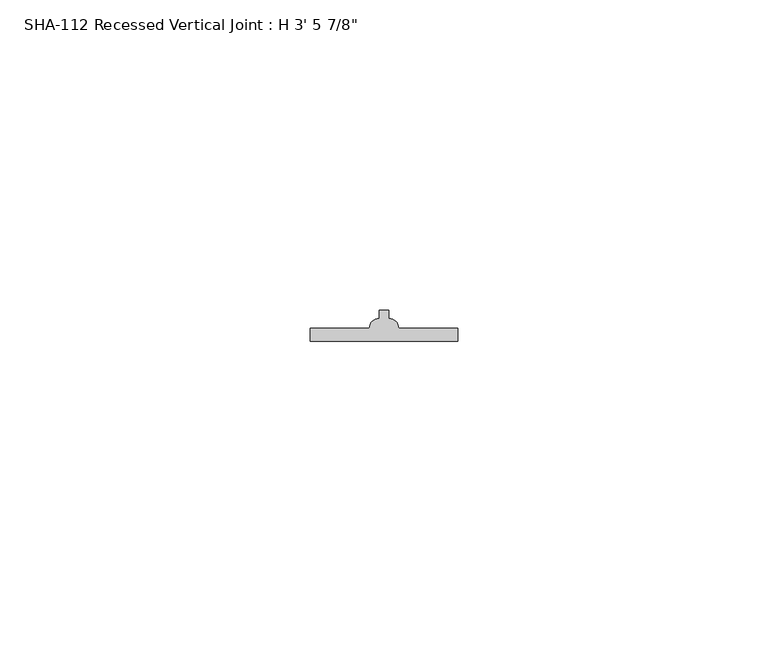
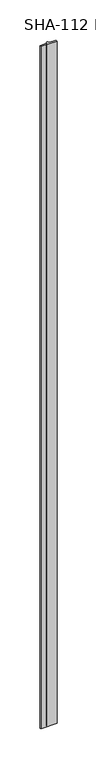
"""IFC4 building model written with IfcOpenShell, lengths in millimetres: proxy geometry."""

from ifc_helpers import new_model, si_unit, point, frame_2d, origin, origin_with_axes, place, context, project, spatial, polyline, circle_curve, trimmed, segment, composite_curve, outline, extrude, source, transform, mapped, element, save


def proxy_7ccdaeac(model_context):
    return source(origin(), model_context, "Body", "SweptSolid", [
        extrude(outline(composite_curve([segment(polyline([(14.2494, 2.1336), (23.7744, 2.1336), (23.7744, 0.0), (0.0, 0.0), (0.0, 2.1336), (9.525, 2.1336)]), True, "CONTINUOUS"), segment(trimmed(circle_curve(frame_2d((11.0998, 2.1336)), 1.5748), [point((9.525, 2.1336))], [point((11.0998, 3.7084))], False, "CARTESIAN"), True, "CONTINUOUS"), segment(polyline([(11.0998, 3.7084), (11.0998, 5.03555), (11.8872, 5.03555), (12.6746, 5.03555), (12.6746, 3.7084)]), True, "CONTINUOUS"), segment(trimmed(circle_curve(frame_2d((12.6746, 2.1336)), 1.5748), [point((12.6746, 3.7084))], [point((14.2494, 2.1336))], False, "CARTESIAN"), True, "CONTINUOUS")], self_intersect=False)), origin_with_axes(), (0.0, 0.0, 1.0), 1063.625),
    ])


if __name__ == "__main__":
    model = new_model("IFC4")
    model_context = context("Model", 3, world=origin())
    ifc_project = project(units=[si_unit("LENGTHUNIT", "METRE", prefix="MILLI")], contexts=[model_context])
    site = spatial("IfcSite", under=ifc_project)
    building = spatial("IfcBuilding", under=site)
    placement = place(None, origin())
    proxy_shape = proxy_7ccdaeac(model_context)
    element("IfcBuildingElementProxy", 1, Name="SHA-112 Recessed Vertical Joint : H 3' 5 7/8\"", ObjectType="SHA-112 Recessed Vertical Joint : H 3' 5 7/8\"", at=placement, inside=building, context=model_context, shape_type="MappedRepresentation", body=[
        mapped(proxy_shape, transform((0.0, 0.0, 0.0), x_axis=(1.0, 0.0, 0.0), y_axis=(0.0, 1.0, 0.0), z_axis=(0.0, 0.0, 1.0))),
    ])
    save(model, "model.ifc")
